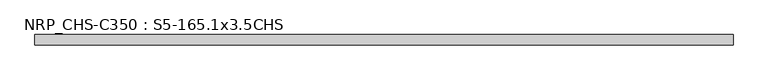
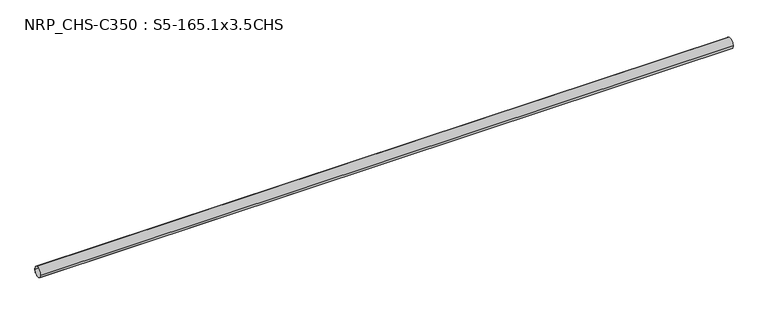
"""IFC4 building model written with IfcOpenShell, lengths in millimetres: beam geometry, NRP_CHS-C350 : S5-165.1x3.5CHS."""

from ifc_helpers import new_model, si_unit, point, frame, origin, origin_2d, place, context, project, spatial, circle_curve, trimmed, segment, composite_curve, outline, extrude, source, transform, mapped, element, save


def nrp_chs_c350_s5_165_1x3_5chs_d92b3837(model_context):
    return source(origin(), model_context, "Body", "SweptSolid", [
        extrude(outline(composite_curve([segment(trimmed(circle_curve(origin_2d(), 82.55), [point((-82.55, 0.0))], [point((82.55, 0.0))], False, "CARTESIAN"), True, "CONTINUOUS"), segment(trimmed(circle_curve(origin_2d(), 82.55), [point((82.55, 0.0))], [point((-82.55, 0.0))], False, "CARTESIAN"), True, "CONTINUOUS")], self_intersect=False), holes=[composite_curve([segment(trimmed(circle_curve(origin_2d(), 79.05), [point((79.05, 0.0))], [point((-79.05, 0.0))], True, "CARTESIAN"), True, "CONTINUOUS"), segment(trimmed(circle_curve(origin_2d(), 79.05), [point((-79.05, 0.0))], [point((79.05, 0.0))], True, "CARTESIAN"), True, "CONTINUOUS")], self_intersect=False)]), frame((-5411.8, 0.0, 0.0), z_axis=(1.0, 0.0, 0.0), x_axis=(0.0, 1.0, 0.0)), (0.0, 0.0, 1.0), 10957.3),
    ])


if __name__ == "__main__":
    model = new_model("IFC4")
    model_context = context("Model", 3, world=origin())
    ifc_project = project(units=[si_unit("LENGTHUNIT", "METRE", prefix="MILLI")], contexts=[model_context])
    site = spatial("IfcSite", under=ifc_project)
    building = spatial("IfcBuilding", under=site)
    placement = place(None, origin())
    nrp_chs_c350_s5_165_1x3_5chs_shape = nrp_chs_c350_s5_165_1x3_5chs_d92b3837(model_context)
    element("IfcBeam", 1, ObjectType="NRP_CHS-C350 : S5-165.1x3.5CHS", at=placement, inside=building, context=model_context, shape_type="MappedRepresentation", body=[
        mapped(nrp_chs_c350_s5_165_1x3_5chs_shape, transform((0.0, 0.0, 0.0), x_axis=(1.0, 0.0, 0.0), y_axis=(0.0, 1.0, 0.0), z_axis=(0.0, 0.0, 1.0))),
    ])
    save(model, "model.ifc")
